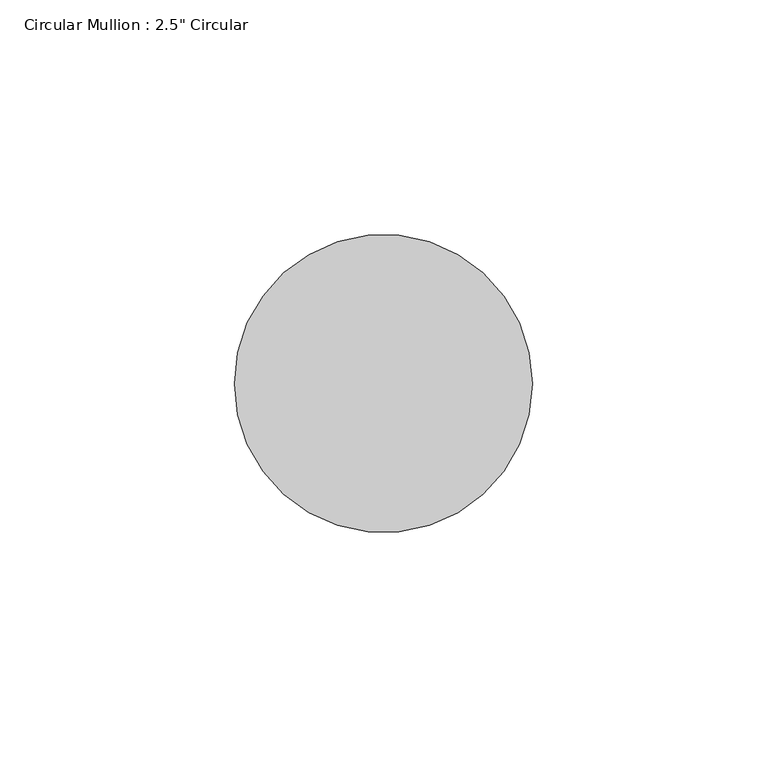
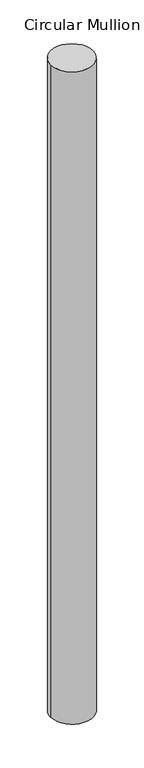
"""IFC4 building model written with IfcOpenShell, lengths in millimetres: member geometry."""

from ifc_helpers import new_model, si_unit, point, frame, frame_2d, origin, place, context, project, spatial, circle_curve, trimmed, segment, composite_curve, outline, extrude, source, transform, mapped, element, save


def member_fa2fd583(model_context):
    return source(origin(), model_context, "Body", "SweptSolid", [
        extrude(outline(composite_curve([segment(trimmed(circle_curve(frame_2d((-31.75, 0.0)), 31.75), [point((0.0, 0.0))], [point((-63.5, 0.0))], False, "CARTESIAN"), True, "CONTINUOUS"), segment(trimmed(circle_curve(frame_2d((-31.75, 0.0)), 31.75), [point((-63.5, 0.0))], [point((0.0, 0.0))], False, "CARTESIAN"), True, "CONTINUOUS")], self_intersect=False)), frame((0.0, 0.0, -1031.75), z_axis=(0.0, 0.0, 1.0), x_axis=(1.0, 0.0, 0.0)), (0.0, 0.0, 1.0), 1031.75),
    ])


if __name__ == "__main__":
    model = new_model("IFC4")
    model_context = context("Model", 3, world=origin())
    ifc_project = project(units=[si_unit("LENGTHUNIT", "METRE", prefix="MILLI")], contexts=[model_context])
    site = spatial("IfcSite", under=ifc_project)
    building = spatial("IfcBuilding", under=site)
    placement = place(None, origin())
    member_shape = member_fa2fd583(model_context)
    element("IfcMember", 1, ObjectType="Circular Mullion : 2.5\" Circular", at=placement, inside=building, context=model_context, shape_type="MappedRepresentation", body=[
        mapped(member_shape, transform((0.0, 0.0, 0.0), x_axis=(1.0, 0.0, 0.0), y_axis=(0.0, 1.0, 0.0), z_axis=(0.0, 0.0, 1.0))),
    ])
    save(model, "model.ifc")
